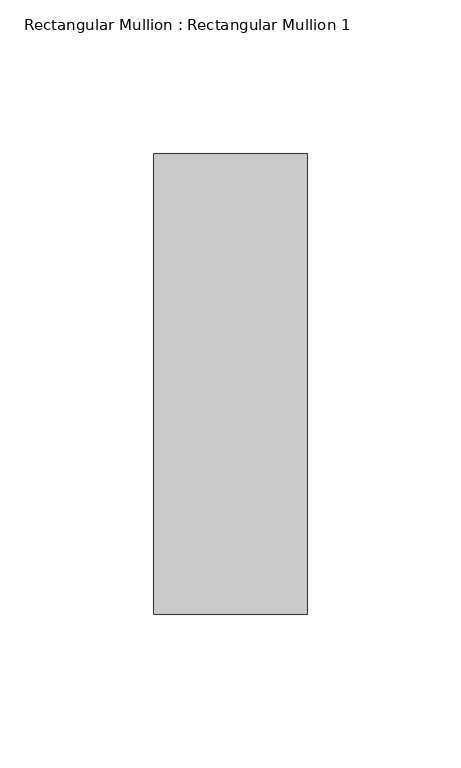
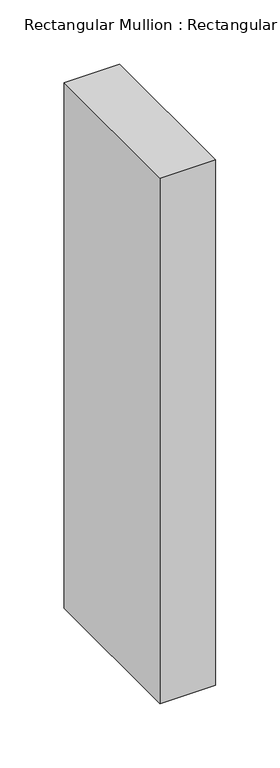
"""IFC4 building model written with IfcOpenShell, lengths in millimetres: member geometry, Rectangular Mullion : Rectangular Mullion 1."""

import ifcopenshell
import ifcopenshell.guid

model = None  # the IFC model being written
_history = None  # IfcOwnerHistory: only IFC2X3 demands one
_inside = {}  # id of a spatial element -> (the spatial element, [elements in it])
_under = {}  # id of a project, library or spatial element -> (it, [spatial elements below it])
_declared = {}  # id of a project -> (the project, [libraries it declares])
_typed = {}  # id of a type object -> (the type object, [elements of that type])
_made_of = {}  # id of a material, layer set ... -> (it, [elements and type objects made of it])


def new_model(schema):
    """Start an empty IFC model of exactly this schema.

    Asked for "IFC4X3", IfcOpenShell would pick the latest addendum, in which some entities
    have other attributes; the version numbers below select the first issue.
    IFC2X3 requires an IfcOwnerHistory on every rooted entity: one is made here for all.
    """
    global model, _history
    if schema == "IFC4X3":
        model = ifcopenshell.file(schema_version=(4, 3, 0, 0))
    else:
        model = ifcopenshell.file(schema=schema)
    _inside.clear()
    _under.clear()
    _declared.clear()
    _typed.clear()
    _made_of.clear()
    _history = None
    if model.schema == "IFC2X3":
        org = make("IfcOrganization", Name="unknown")
        user = make(
            "IfcPersonAndOrganization",
            ThePerson=make("IfcPerson", FamilyName="unknown"),
            TheOrganization=org,
        )
        app = make(
            "IfcApplication",
            ApplicationDeveloper=org,
            Version="unknown",
            ApplicationFullName="unknown",
            ApplicationIdentifier="unknown",
        )
        _history = make(
            "IfcOwnerHistory",
            OwningUser=user,
            OwningApplication=app,
            ChangeAction="ADDED",
            CreationDate=0,
        )
    return model


def make(cls, **values):
    """One entity of the class cls with the attributes given. An attribute that is None is left unset."""
    return model.create_entity(
        cls, **{name: value for name, value in values.items() if value is not None}
    )


def rooted(cls, **values):
    """An entity with a GlobalId (a new one), such as an element, a storey or a relation."""
    return make(cls, GlobalId=ifcopenshell.guid.new(), OwnerHistory=_history, **values)


def si_unit(unit_type, name, prefix=None):
    """IfcSIUnit, for example si_unit("LENGTHUNIT", "METRE", prefix="MILLI")."""
    return make("IfcSIUnit", UnitType=unit_type, Prefix=prefix, Name=name)


def assignment(units):
    """IfcUnitAssignment: the units of a project."""
    return None if units is None else make("IfcUnitAssignment", Units=units)


def point(xyz):
    """IfcCartesianPoint."""
    return None if xyz is None else make("IfcCartesianPoint", Coordinates=xyz)


def direction(xyz):
    """IfcDirection."""
    return None if xyz is None else make("IfcDirection", DirectionRatios=xyz)


def frame(location, z_axis=None, x_axis=None):
    """IfcAxis2Placement3D, a coordinate frame: its origin and axes. An axis left out is left unset."""
    return make(
        "IfcAxis2Placement3D",
        Location=point(location),
        Axis=direction(z_axis),
        RefDirection=direction(x_axis),
    )


def origin():
    """The frame at (0, 0, 0) with its axes left unset."""
    return frame((0.0, 0.0, 0.0))


def place(relative_to, where):
    """IfcLocalPlacement: puts the frame where relative to a parent placement (None: the world)."""
    return make(
        "IfcLocalPlacement", PlacementRelTo=relative_to, RelativePlacement=where
    )


def context(
    kind, dimensions, precision=None, world=None, true_north=None, identifier=None
):
    """IfcGeometricRepresentationContext, for example the 3D "Model" context."""
    return make(
        "IfcGeometricRepresentationContext",
        ContextIdentifier=identifier,
        ContextType=kind,
        CoordinateSpaceDimension=dimensions,
        Precision=precision,
        WorldCoordinateSystem=world,
        TrueNorth=true_north,
    )


def project(units=None, contexts=None):
    """IfcProject with its units and contexts."""
    return rooted(
        "IfcProject",
        Name="project",
        RepresentationContexts=contexts,
        UnitsInContext=assignment(units),
    )


def spatial(cls, under=None, at=None, **own):
    """A site, building, storey or space (cls), placed at a placement, below another one or the project."""
    s = rooted(cls, ObjectPlacement=at, **own)
    if under is not None:
        _under.setdefault(under.id(), (under, []))[1].append(s)
    return s


def polyline(points):
    """IfcPolyline through the points."""
    return make("IfcPolyline", Points=[point(p) for p in points])


def outline(outer, holes=None, kind="AREA"):
    """IfcArbitraryClosedProfileDef: a profile drawn as a closed curve; with holes, ...WithVoids."""
    if holes is None:
        return make("IfcArbitraryClosedProfileDef", ProfileType=kind, OuterCurve=outer)
    return make(
        "IfcArbitraryProfileDefWithVoids",
        ProfileType=kind,
        OuterCurve=outer,
        InnerCurves=holes,
    )


def extrude(swept, where, along, depth):
    """IfcExtrudedAreaSolid: the profile swept, set in the frame where, extruded along a direction by depth."""
    return make(
        "IfcExtrudedAreaSolid",
        SweptArea=swept,
        Position=where,
        ExtrudedDirection=direction(along),
        Depth=depth,
    )


def shape(context_of_items, identifier, shape_type, items):
    """IfcShapeRepresentation: the items that make up one representation, for example the "Body"."""
    return make(
        "IfcShapeRepresentation",
        ContextOfItems=context_of_items,
        RepresentationIdentifier=identifier,
        RepresentationType=shape_type,
        Items=items,
    )


def source(mapping_origin, context_of_items, identifier, shape_type, items):
    """IfcRepresentationMap: a shape defined once, which mapped items show again and again."""
    return make(
        "IfcRepresentationMap",
        MappingOrigin=mapping_origin,
        MappedRepresentation=shape(context_of_items, identifier, shape_type, items),
    )


def transform(
    local_origin,
    x_axis=None,
    y_axis=None,
    z_axis=None,
    scale=None,
    scale2=None,
    scale3=None,
    uniform=True,
):
    """IfcCartesianTransformationOperator3D, or its non-uniform kind. x_axis, y_axis, z_axis: its Axis1, 2, 3."""
    if uniform:
        return make(
            "IfcCartesianTransformationOperator3D",
            Axis1=direction(x_axis),
            Axis2=direction(y_axis),
            LocalOrigin=point(local_origin),
            Scale=scale,
            Axis3=direction(z_axis),
        )
    return make(
        "IfcCartesianTransformationOperator3DnonUniform",
        Axis1=direction(x_axis),
        Axis2=direction(y_axis),
        LocalOrigin=point(local_origin),
        Scale=scale,
        Axis3=direction(z_axis),
        Scale2=scale2,
        Scale3=scale3,
    )


def mapped(mapping_source, mapping_target):
    """IfcMappedItem: shows the shape of a source again, moved by a transform."""
    return make(
        "IfcMappedItem", MappingSource=mapping_source, MappingTarget=mapping_target
    )


def made_of(thing, what):
    """Note that an element or type object is made of a material, layer set ...; save() writes the relation."""
    if what is not None:
        _made_of.setdefault(what.id(), (what, []))[1].append(thing)
    return thing


def element(
    cls,
    number,
    at=None,
    inside=None,
    cuts=None,
    type_object=None,
    material=None,
    context=None,
    identifier="Body",
    shape_type=None,
    held_by="IfcProductDefinitionShape",
    body=None,
    shapes=None,
    **own,
):
    """One element of the class cls, such as IfcWall. Its Tag is "e" and its number.

    at: its placement. inside: the storey or other place that contains it. cuts: it is an
    opening in that element (IfcRelVoidsElement). A single representation is given by context,
    identifier, shape_type and body (its items); several are given by shapes. held_by: the class
    of the entity that holds the representations. save() writes the other relations.
    """
    e = rooted(cls, Tag="e%d" % number, ObjectPlacement=at, **own)
    if body is not None:
        shapes = [shape(context, identifier, shape_type, body)]
    if shapes is not None:
        e.Representation = make(held_by, Representations=shapes)
    if inside is not None:
        _inside.setdefault(inside.id(), (inside, []))[1].append(e)
    if cuts is not None:
        rooted(
            "IfcRelVoidsElement", RelatingBuildingElement=cuts, RelatedOpeningElement=e
        )
    if type_object is not None:
        _typed.setdefault(type_object.id(), (type_object, []))[1].append(e)
    return made_of(e, material)


def aggregate(whole, parts):
    """IfcRelAggregates: a whole, such as a stair, and the parts it consists of."""
    return rooted("IfcRelAggregates", RelatingObject=whole, RelatedObjects=parts)


def save(model, path):
    """Write the relations noted so far, then the file.

    IfcRelAggregates (storeys below a building ...), IfcRelContainedInSpatialStructure (elements
    in a storey), IfcRelDefinesByType, IfcRelAssociatesMaterial and IfcRelDeclares: one each for
    every whole, place, type object, material and project.
    """
    for whole, parts in _under.values():
        aggregate(whole, parts)
    for where, things in _inside.values():
        rooted(
            "IfcRelContainedInSpatialStructure",
            RelatedElements=things,
            RelatingStructure=where,
        )
    for kind, things in _typed.values():
        rooted("IfcRelDefinesByType", RelatedObjects=things, RelatingType=kind)
    for what, things in _made_of.values():
        rooted("IfcRelAssociatesMaterial", RelatedObjects=things, RelatingMaterial=what)
    for by, libraries in _declared.values():
        rooted("IfcRelDeclares", RelatingContext=by, RelatedDefinitions=libraries)
    model.write(path)


def rectangular_mullion_rectangular_mullion_1_b3666dbd(model_context):
    return source(origin(), model_context, "Body", "SweptSolid", [
        extrude(outline(polyline([(0.0, 75.0), (0.0, -75.0), (-50.0, -75.0), (-50.0, 75.0), (0.0, 75.0)])), frame((0.0, 0.0, -500.0), z_axis=(0.0, 0.0, 1.0), x_axis=(1.0, 0.0, 0.0)), (0.0, 0.0, 1.0), 500.0),
    ])


if __name__ == "__main__":
    model = new_model("IFC4")
    model_context = context("Model", 3, world=origin())
    ifc_project = project(units=[si_unit("LENGTHUNIT", "METRE", prefix="MILLI")], contexts=[model_context])
    site = spatial("IfcSite", under=ifc_project)
    building = spatial("IfcBuilding", under=site)
    placement = place(None, origin())
    rectangular_mullion_rectangular_mullion_1_shape = rectangular_mullion_rectangular_mullion_1_b3666dbd(model_context)
    element("IfcMember", 1, ObjectType="Rectangular Mullion : Rectangular Mullion 1", at=placement, inside=building, context=model_context, shape_type="MappedRepresentation", body=[
        mapped(rectangular_mullion_rectangular_mullion_1_shape, transform((0.0, 0.0, 0.0), x_axis=(1.0, 0.0, 0.0), y_axis=(0.0, 1.0, 0.0), z_axis=(0.0, 0.0, 1.0))),
    ])
    save(model, "model.ifc")
